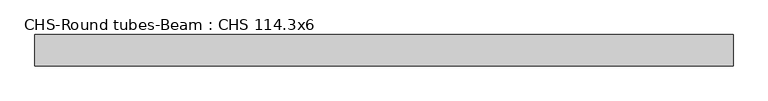
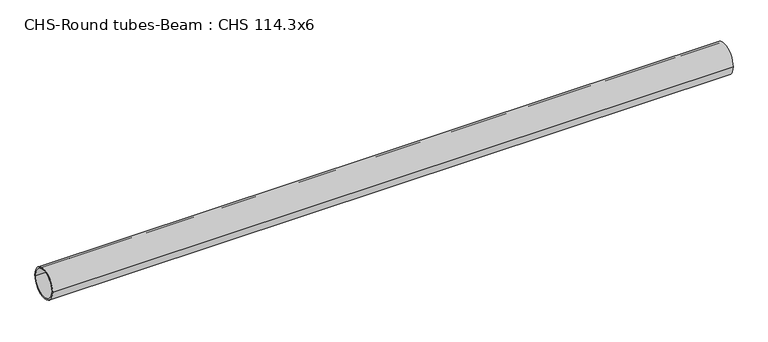
"""IFC4 building model written with IfcOpenShell, lengths in millimetres: beam geometry, CHS-Round tubes-Beam : CHS 114.3x6."""

from ifc_helpers import new_model, si_unit, point, frame, origin, origin_2d, place, context, project, spatial, circle_curve, trimmed, segment, composite_curve, outline, extrude, source, transform, mapped, element, save


def chs_round_tubes_beam_chs_114_3x6_b8774fa9(model_context):
    return source(origin(), model_context, "Body", "SweptSolid", [
        extrude(outline(composite_curve([segment(trimmed(circle_curve(origin_2d(), 57.15), [point((57.15, 0.0))], [point((-57.15, 0.0))], False, "CARTESIAN"), True, "CONTINUOUS"), segment(trimmed(circle_curve(origin_2d(), 57.15), [point((-57.15, 0.0))], [point((57.15, 0.0))], False, "CARTESIAN"), True, "CONTINUOUS")], self_intersect=False), holes=[composite_curve([segment(trimmed(circle_curve(origin_2d(), 51.15), [point((51.15, 0.0))], [point((-51.15, 0.0))], True, "CARTESIAN"), True, "CONTINUOUS"), segment(trimmed(circle_curve(origin_2d(), 51.15), [point((-51.15, 0.0))], [point((51.15, 0.0))], True, "CARTESIAN"), True, "CONTINUOUS")], self_intersect=False)]), frame((-1244.2970146, 0.0, 0.0), z_axis=(1.0, 0.0, 0.0), x_axis=(0.0, 1.0, 0.0)), (0.0, 0.0, 1.0), 2549.074904),
    ])


if __name__ == "__main__":
    model = new_model("IFC4")
    model_context = context("Model", 3, world=origin())
    ifc_project = project(units=[si_unit("LENGTHUNIT", "METRE", prefix="MILLI")], contexts=[model_context])
    site = spatial("IfcSite", under=ifc_project)
    building = spatial("IfcBuilding", under=site)
    placement = place(None, origin())
    chs_round_tubes_beam_chs_114_3x6_shape = chs_round_tubes_beam_chs_114_3x6_b8774fa9(model_context)
    element("IfcBeam", 1, ObjectType="CHS-Round tubes-Beam : CHS 114.3x6", at=placement, inside=building, context=model_context, shape_type="MappedRepresentation", body=[
        mapped(chs_round_tubes_beam_chs_114_3x6_shape, transform((0.0, 0.0, 0.0), x_axis=(1.0, 0.0, 0.0), y_axis=(0.0, 1.0, 0.0), z_axis=(0.0, 0.0, 1.0))),
    ])
    save(model, "model.ifc")
